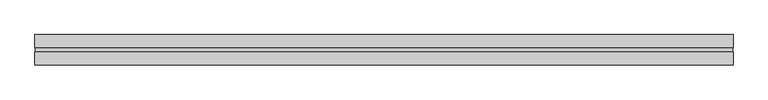
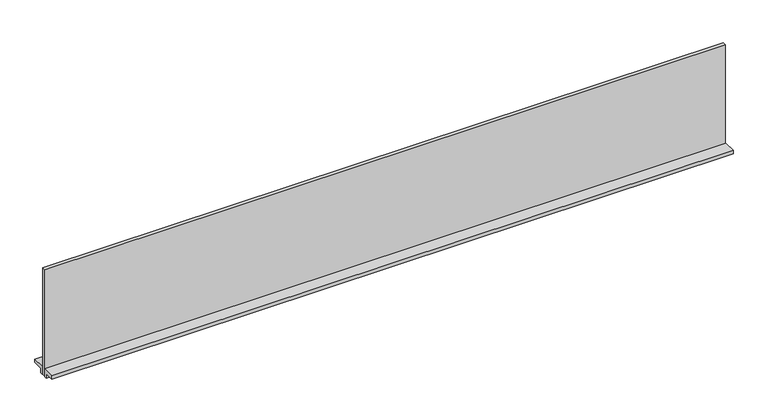
"""IFC4 building model written with IfcOpenShell, lengths in millimetres: furniture geometry."""

from ifc_helpers import new_model, si_unit, frame, origin, place, context, project, spatial, polyline, outline, extrude, source, transform, mapped, element, save


def furniture_d30afcab(model_context):
    return source(origin(), model_context, "Body", "SweptSolid", [
        extrude(outline(polyline([(12.9619352, 1048.766), (12.9619352, 1035.177), (5.9388366, 1035.177), (5.9388366, 1058.291), (39.4795359, 1058.291), (39.4795359, 1048.766), (12.9619352, 1048.766)])), frame((-913.384, 0.0, 0.0), z_axis=(1.0, 0.0, 0.0), x_axis=(0.0, 1.0, 0.0)), (0.0, 0.0, 1.0), 1826.7680009),
        extrude(outline(polyline([(-12.9714633, 1035.177), (-12.9714633, 1048.766), (-39.4890627, 1048.766), (-39.4890627, 1058.291), (-5.9483625, 1058.291), (-5.9483625, 1035.177), (-12.9714633, 1035.177)])), frame((-913.384, 0.0, 0.0), z_axis=(1.0, 0.0, 0.0), x_axis=(0.0, 1.0, 0.0)), (0.0, 0.0, 1.0), 1826.7680009),
        extrude(outline(polyline([(911.987001, 4.757736), (911.987001, -4.767264), (-911.987, -4.767264), (-911.987, 4.757736), (911.987001, 4.757736)])), frame((0.0, 0.0, 1035.177), z_axis=(0.0, 0.0, 1.0), x_axis=(1.0, 0.0, 0.0)), (0.0, 0.0, 1.0), 302.514),
    ])


if __name__ == "__main__":
    model = new_model("IFC4")
    model_context = context("Model", 3, world=origin())
    ifc_project = project(units=[si_unit("LENGTHUNIT", "METRE", prefix="MILLI")], contexts=[model_context])
    site = spatial("IfcSite", under=ifc_project)
    building = spatial("IfcBuilding", under=site)
    placement = place(None, origin())
    furniture_shape = furniture_d30afcab(model_context)
    element("IfcFurniture", 1, at=placement, inside=building, context=model_context, shape_type="MappedRepresentation", body=[
        mapped(furniture_shape, transform((0.0, 0.0, 0.0), x_axis=(1.0, 0.0, 0.0), y_axis=(0.0, 1.0, 0.0), z_axis=(0.0, 0.0, 1.0))),
    ])
    save(model, "model.ifc")
